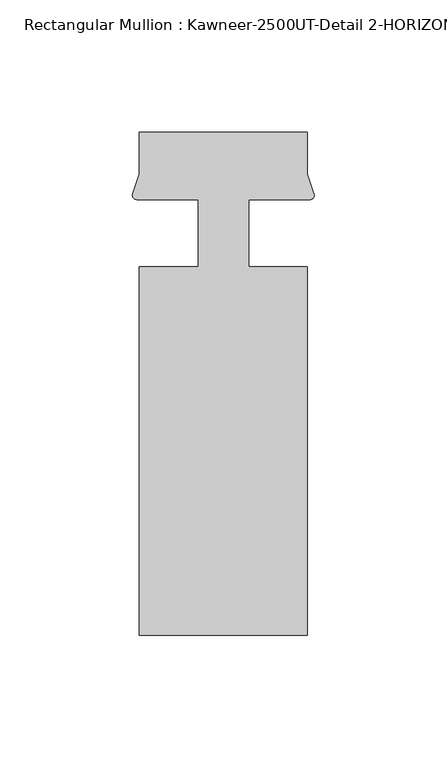
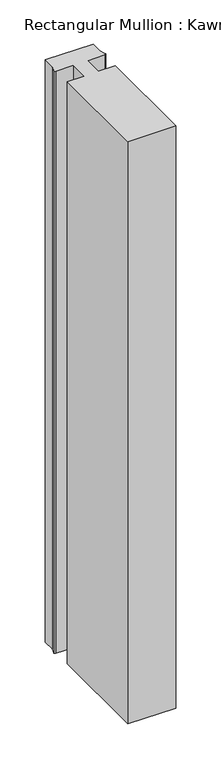
"""IFC4 building model written with IfcOpenShell, lengths in millimetres: member geometry, Rectangular Mullion : Kawneer-2500UT-Detail 2-HORIZONTAL 1 INCH INFILL."""

from ifc_helpers import new_model, si_unit, point, frame, frame_2d, origin, place, context, project, spatial, polyline, circle_curve, trimmed, segment, composite_curve, outline, extrude, source, transform, mapped, element, save


def rectangular_mullion_kawneer_2500ut_detail_2_horizontal_1_0cf03cc0(model_context):
    return source(origin(), model_context, "Body", "SweptSolid", [
        extrude(outline(composite_curve([segment(polyline([(31.75, 25.3880937), (31.75, 9.5131914), (34.4008552, 1.576523)]), True, "CONTINUOUS"), segment(trimmed(circle_curve(frame_2d((32.7012373, 1.6895058)), 1.703369), [point((34.4008552, 1.576523))], [point((32.7841288, -0.0118452))], False, "CARTESIAN"), True, "CONTINUOUS"), segment(trimmed(circle_curve(frame_2d((27.4492482, -461.0197259)), 461.0387479), [point((32.7841288, -0.0118452))], [point((9.525, -0.329539))], True, "CARTESIAN"), True, "CONTINUOUS"), segment(polyline([(9.525, -0.329539), (9.525, -25.4119063), (31.75, -25.4119063), (31.75, -164.6039062), (-31.75, -164.6039063), (-31.75, -25.4119063), (-9.525, -25.4119063), (-9.525, -0.329539)]), True, "CONTINUOUS"), segment(trimmed(circle_curve(frame_2d((-27.4492482, -461.0197259)), 461.0387479), [point((-9.525, -0.329539))], [point((-32.7841288, -0.0118452))], True, "CARTESIAN"), True, "CONTINUOUS"), segment(trimmed(circle_curve(frame_2d((-32.7012373, 1.6895058)), 1.703369), [point((-32.7841288, -0.0118452))], [point((-34.4008552, 1.576523))], False, "CARTESIAN"), True, "CONTINUOUS"), segment(polyline([(-34.4008552, 1.576523), (-31.75, 9.5131914), (-31.75, 25.3880937), (31.75, 25.3880937)]), True, "CONTINUOUS")], self_intersect=False)), frame((0.0, 0.0, -819.1499982), z_axis=(0.0, 0.0, 1.0), x_axis=(1.0, 0.0, 0.0)), (0.0, 0.0, 1.0), 819.1499982),
    ])


if __name__ == "__main__":
    model = new_model("IFC4")
    model_context = context("Model", 3, world=origin())
    ifc_project = project(units=[si_unit("LENGTHUNIT", "METRE", prefix="MILLI")], contexts=[model_context])
    site = spatial("IfcSite", under=ifc_project)
    building = spatial("IfcBuilding", under=site)
    placement = place(None, origin())
    rectangular_mullion_kawneer_2500ut_detail_2_horizontal_1_shape = rectangular_mullion_kawneer_2500ut_detail_2_horizontal_1_0cf03cc0(model_context)
    element("IfcMember", 1, ObjectType="Rectangular Mullion : Kawneer-2500UT-Detail 2-HORIZONTAL 1 INCH INFILL", at=placement, inside=building, context=model_context, shape_type="MappedRepresentation", body=[
        mapped(rectangular_mullion_kawneer_2500ut_detail_2_horizontal_1_shape, transform((0.0, 0.0, 0.0), x_axis=(1.0, 0.0, 0.0), y_axis=(0.0, 1.0, 0.0), z_axis=(0.0, 0.0, 1.0))),
    ])
    save(model, "model.ifc")
